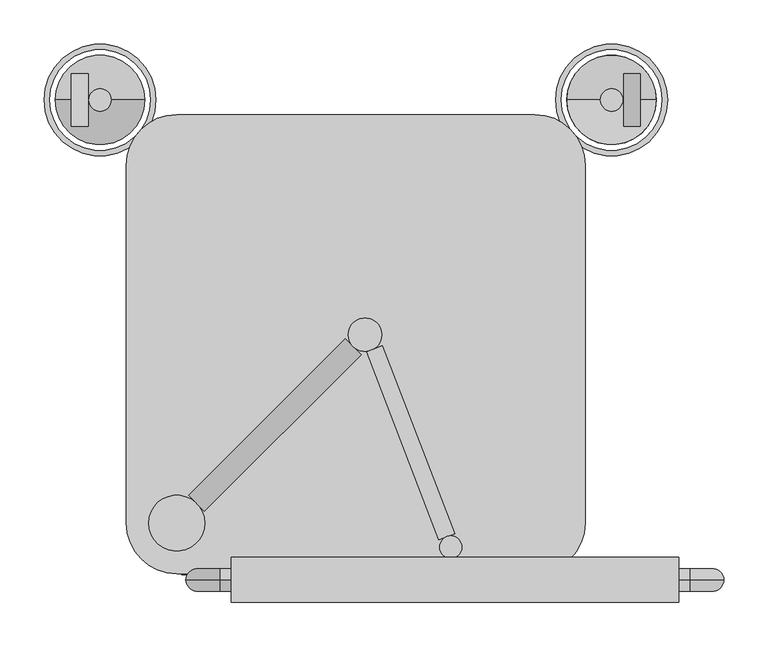
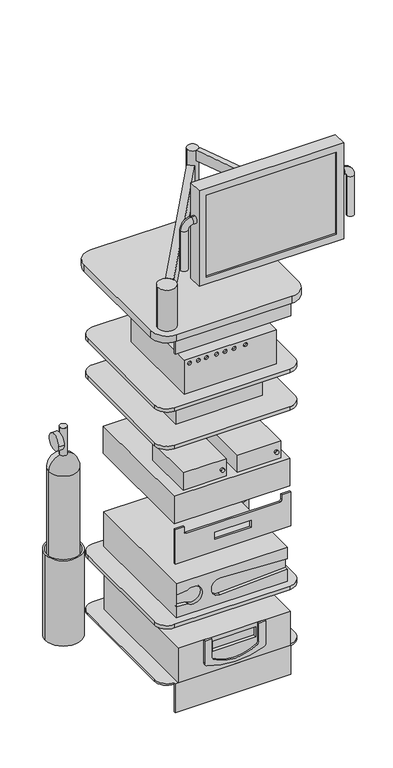
"""IFC4 building model written with IfcOpenShell, lengths in millimetres: proxy geometry."""

from ifc_helpers import new_model, si_unit, point, frame, frame_2d, origin, place, context, project, spatial, polyline, circle_curve, ellipse_curve, trimmed, segment, composite_curve, outline, extrude, faceted_brep, source, transform, mapped, element, save
from ifc_brep_helpers import plane_surface, cylinder_surface, revolved_surface, advanced_brep


def generic_models_61235674(model_context):
    return source(origin(), model_context, "Body", "SolidModel", [
        extrude(outline(composite_curve([segment(trimmed(circle_curve(frame_2d((981.1696655, 155.3349186)), 6.35), [point((981.1696655, 148.9849186))], [point((981.1696655, 161.6849186))], False, "CARTESIAN"), True, "CONTINUOUS"), segment(trimmed(circle_curve(frame_2d((981.1696655, 155.3349186)), 6.35), [point((981.1696655, 161.6849186))], [point((981.1696655, 148.9849186))], False, "CARTESIAN"), True, "CONTINUOUS")], self_intersect=False)), frame((0.0, -254.0, 0.0), z_axis=(0.0, 1.0, 0.0), x_axis=(0.0, 0.0, 1.0)), (0.0, 0.0, 1.0), 6.35),
        extrude(outline(composite_curve([segment(trimmed(circle_curve(frame_2d((981.1696655, -35.1650814)), 6.35), [point((981.1696655, -41.5150814))], [point((981.1696655, -28.8150814))], False, "CARTESIAN"), True, "CONTINUOUS"), segment(trimmed(circle_curve(frame_2d((981.1696655, -35.1650814)), 6.35), [point((981.1696655, -28.8150814))], [point((981.1696655, -41.5150814))], False, "CARTESIAN"), True, "CONTINUOUS")], self_intersect=False)), frame((0.0, -254.0, 0.0), z_axis=(0.0, 1.0, 0.0), x_axis=(0.0, 0.0, 1.0)), (0.0, 0.0, 1.0), 6.35),
        advanced_brep(
        [(164.3474581, -233.2937882, 1422.4), (164.3474581, 90.5562118, 1422.4), (-159.5025419, 90.5562118, 1422.4), (-159.5025419, -233.2937882, 1422.4), (164.3474581, -233.2937882, 1295.4), (-159.5025419, -233.2937882, 1295.4), (-159.5025419, 90.5562118, 1295.4), (164.3474581, 90.5562118, 1295.4), (-134.6409827, -233.2937882, 1404.9609266), (-147.3409827, -233.2937882, 1404.9609266), (-75.1097327, -233.2937882, 1404.9609266), (-87.8097327, -233.2937882, 1404.9609266), (-39.3909827, -233.2937882, 1404.9609266), (-52.0909827, -233.2937882, 1404.9609266), (22.5215173, -233.2937882, 1404.9609266), (9.8215173, -233.2937882, 1404.9609266), (62.2090173, -233.2937882, 1404.9609266), (49.5090173, -233.2937882, 1404.9609266), (-103.5704874, -233.2937882, 1404.9609266), (-116.2704874, -233.2937882, 1404.9609266), (-9.2284827, -233.2937882, 1404.9609266), (-21.9284827, -233.2937882, 1404.9609266), (-134.6409827, -226.9437882, 1404.9609266), (-147.3409827, -226.9437882, 1404.9609266), (-75.1097327, -226.9437882, 1404.9609266), (-87.8097327, -226.9437882, 1404.9609266), (-39.3909827, -226.9437882, 1404.9609266), (-52.0909827, -226.9437882, 1404.9609266), (22.5215173, -226.9437882, 1404.9609266), (9.8215173, -226.9437882, 1404.9609266), (62.2090173, -226.9437882, 1404.9609266), (49.5090173, -226.9437882, 1404.9609266), (-103.5704874, -226.9437882, 1404.9609266), (-116.2704874, -226.9437882, 1404.9609266), (-9.2284827, -226.9437882, 1404.9609266), (-21.9284827, -226.9437882, 1404.9609266)],
        [
            (0, 1),
            (1, 2),
            (2, 3),
            (3, 0),
            (4, 5),
            (5, 6),
            (6, 7),
            (7, 4),
            (0, 4),
            (7, 1),
            (6, 2),
            (5, 3),
            (8, 9, circle_curve(frame((-140.9909827, -233.2937882, 1404.9609266), z_axis=(0.0, 1.0, 0.0), x_axis=(-1.0, 0.0, 0.0)), 6.35)),
            (9, 8, circle_curve(frame((-140.9909827, -233.2937882, 1404.9609266), z_axis=(0.0, 1.0, 0.0), x_axis=(-1.0, 0.0, 0.0)), 6.35)),
            (10, 11, circle_curve(frame((-81.4597327, -233.2937882, 1404.9609266), z_axis=(0.0, 1.0, 0.0), x_axis=(-1.0, 0.0, 0.0)), 6.35)),
            (11, 10, circle_curve(frame((-81.4597327, -233.2937882, 1404.9609266), z_axis=(0.0, 1.0, 0.0), x_axis=(-1.0, 0.0, 0.0)), 6.35)),
            (12, 13, circle_curve(frame((-45.7409827, -233.2937882, 1404.9609266), z_axis=(0.0, 1.0, 0.0), x_axis=(-1.0, 0.0, 0.0)), 6.35)),
            (13, 12, circle_curve(frame((-45.7409827, -233.2937882, 1404.9609266), z_axis=(0.0, 1.0, 0.0), x_axis=(-1.0, 0.0, 0.0)), 6.35)),
            (14, 15, circle_curve(frame((16.1715173, -233.2937882, 1404.9609266), z_axis=(0.0, 1.0, 0.0), x_axis=(-1.0, 0.0, 0.0)), 6.35)),
            (15, 14, circle_curve(frame((16.1715173, -233.2937882, 1404.9609266), z_axis=(0.0, 1.0, 0.0), x_axis=(-1.0, 0.0, 0.0)), 6.35)),
            (16, 17, circle_curve(frame((55.8590173, -233.2937882, 1404.9609266), z_axis=(0.0, 1.0, 0.0), x_axis=(-1.0, 0.0, 0.0)), 6.35)),
            (17, 16, circle_curve(frame((55.8590173, -233.2937882, 1404.9609266), z_axis=(0.0, 1.0, 0.0), x_axis=(-1.0, 0.0, 0.0)), 6.35)),
            (18, 19, circle_curve(frame((-109.9204874, -233.2937882, 1404.9609266), z_axis=(0.0, 1.0, 0.0), x_axis=(-1.0, 0.0, 0.0)), 6.35)),
            (19, 18, circle_curve(frame((-109.9204874, -233.2937882, 1404.9609266), z_axis=(0.0, 1.0, 0.0), x_axis=(-1.0, 0.0, 0.0)), 6.35)),
            (20, 21, circle_curve(frame((-15.5784827, -233.2937882, 1404.9609266), z_axis=(0.0, 1.0, 0.0), x_axis=(-1.0, 0.0, 0.0)), 6.35)),
            (21, 20, circle_curve(frame((-15.5784827, -233.2937882, 1404.9609266), z_axis=(0.0, 1.0, 0.0), x_axis=(-1.0, 0.0, 0.0)), 6.35)),
            (22, 23, circle_curve(frame((-140.9909827, -226.9437882, 1404.9609266), z_axis=(0.0, -1.0, 0.0), x_axis=(-1.0, 0.0, 0.0)), 6.35)),
            (23, 22, circle_curve(frame((-140.9909827, -226.9437882, 1404.9609266), z_axis=(0.0, -1.0, 0.0), x_axis=(-1.0, 0.0, 0.0)), 6.35)),
            (24, 25, circle_curve(frame((-81.4597327, -226.9437882, 1404.9609266), z_axis=(0.0, -1.0, 0.0), x_axis=(-1.0, 0.0, 0.0)), 6.35)),
            (25, 24, circle_curve(frame((-81.4597327, -226.9437882, 1404.9609266), z_axis=(0.0, -1.0, 0.0), x_axis=(-1.0, 0.0, 0.0)), 6.35)),
            (26, 27, circle_curve(frame((-45.7409827, -226.9437882, 1404.9609266), z_axis=(0.0, -1.0, 0.0), x_axis=(-1.0, 0.0, 0.0)), 6.35)),
            (27, 26, circle_curve(frame((-45.7409827, -226.9437882, 1404.9609266), z_axis=(0.0, -1.0, 0.0), x_axis=(-1.0, 0.0, 0.0)), 6.35)),
            (28, 29, circle_curve(frame((16.1715173, -226.9437882, 1404.9609266), z_axis=(0.0, -1.0, 0.0), x_axis=(-1.0, 0.0, 0.0)), 6.35)),
            (29, 28, circle_curve(frame((16.1715173, -226.9437882, 1404.9609266), z_axis=(0.0, -1.0, 0.0), x_axis=(-1.0, 0.0, 0.0)), 6.35)),
            (30, 31, circle_curve(frame((55.8590173, -226.9437882, 1404.9609266), z_axis=(0.0, -1.0, 0.0), x_axis=(-1.0, 0.0, 0.0)), 6.35)),
            (31, 30, circle_curve(frame((55.8590173, -226.9437882, 1404.9609266), z_axis=(0.0, -1.0, 0.0), x_axis=(-1.0, 0.0, 0.0)), 6.35)),
            (32, 33, circle_curve(frame((-109.9204874, -226.9437882, 1404.9609266), z_axis=(0.0, -1.0, 0.0), x_axis=(-1.0, 0.0, 0.0)), 6.35)),
            (33, 32, circle_curve(frame((-109.9204874, -226.9437882, 1404.9609266), z_axis=(0.0, -1.0, 0.0), x_axis=(-1.0, 0.0, 0.0)), 6.35)),
            (34, 35, circle_curve(frame((-15.5784827, -226.9437882, 1404.9609266), z_axis=(0.0, -1.0, 0.0), x_axis=(-1.0, 0.0, 0.0)), 6.35)),
            (35, 34, circle_curve(frame((-15.5784827, -226.9437882, 1404.9609266), z_axis=(0.0, -1.0, 0.0), x_axis=(-1.0, 0.0, 0.0)), 6.35)),
            (23, 9),
            (8, 22),
            (25, 11),
            (10, 24),
            (27, 13),
            (12, 26),
            (29, 15),
            (14, 28),
            (31, 17),
            (16, 30),
            (33, 19),
            (18, 32),
            (35, 21),
            (20, 34),
        ],
        [
            plane_surface(frame((164.3474581, -233.2937882, 1422.4), z_axis=(0.0, 0.0, 1.0), x_axis=(0.0, 1.0, 0.0))),
            plane_surface(frame((164.3474581, -233.2937882, 1295.4), z_axis=(0.0, 0.0, -1.0), x_axis=(0.0, -1.0, 0.0))),
            plane_surface(frame((164.3474581, -233.2937882, 1422.4), z_axis=(1.0, 0.0, 0.0), x_axis=(0.0, 0.0, -1.0))),
            plane_surface(frame((164.3474581, 90.5562118, 1422.4), z_axis=(0.0, 1.0, 0.0), x_axis=(0.0, 0.0, -1.0))),
            plane_surface(frame((-159.5025419, 90.5562118, 1422.4), z_axis=(-1.0, 0.0, 0.0), x_axis=(0.0, 0.0, -1.0))),
            plane_surface(frame((-159.5025419, -233.2937882, 1422.4), z_axis=(0.0, -1.0, 0.0), x_axis=(0.0, 0.0, -1.0))),
            plane_surface(frame((-147.3409827, -226.9437882, 1404.9609266), z_axis=(0.0, -1.0, 0.0), x_axis=(0.0, 0.0, 1.0))),
            revolved_surface(polyline([(-147.34098269999998, -226.9437882, 1404.9609266), (-147.34098269999998, -233.2937882, 1404.9609266)]), (-140.9909827, -233.2937882, 1404.9609266), (0.0, 1.0, 0.0)),
            revolved_surface(polyline([(-87.8097327, -226.9437882, 1404.9609266), (-87.8097327, -233.2937882, 1404.9609266)]), (-81.4597327, -233.2937882, 1404.9609266), (0.0, 1.0, 0.0)),
            revolved_surface(polyline([(-52.090982700000005, -226.9437882, 1404.9609266), (-52.090982700000005, -233.2937882, 1404.9609266)]), (-45.7409827, -233.2937882, 1404.9609266), (0.0, 1.0, 0.0)),
            revolved_surface(polyline([(9.821517300000002, -226.9437882, 1404.9609266), (9.821517300000002, -233.2937882, 1404.9609266)]), (16.1715173, -233.2937882, 1404.9609266), (0.0, 1.0, 0.0)),
            revolved_surface(polyline([(49.5090173, -226.9437882, 1404.9609266), (49.5090173, -233.2937882, 1404.9609266)]), (55.8590173, -233.2937882, 1404.9609266), (0.0, 1.0, 0.0)),
            revolved_surface(polyline([(-116.2704874, -226.9437882, 1404.9609266), (-116.2704874, -233.2937882, 1404.9609266)]), (-109.9204874, -233.2937882, 1404.9609266), (0.0, 1.0, 0.0)),
            revolved_surface(polyline([(-21.9284827, -226.9437882, 1404.9609266), (-21.9284827, -233.2937882, 1404.9609266)]), (-15.5784827, -233.2937882, 1404.9609266), (0.0, 1.0, 0.0)),
        ],
        [
            (0, [[1, 2, 3, 4]]),
            (1, [[5, 6, 7, 8]]),
            (2, [[-1, 9, -8, 10]]),
            (3, [[-2, -10, -7, 11]]),
            (4, [[-3, -11, -6, 12]]),
            (5, [[-4, -12, -5, -9], [13, 14], [15, 16], [17, 18], [19, 20], [21, 22], [23, 24], [25, 26]]),
            (6, [[27, 28]]),
            (6, [[29, 30]]),
            (6, [[31, 32]]),
            (6, [[33, 34]]),
            (6, [[35, 36]]),
            (6, [[37, 38]]),
            (6, [[39, 40]]),
            (7, [[-28, 41, -13, 42]]),
            (7, [[-27, -42, -14, -41]]),
            (8, [[-30, 43, -15, 44]]),
            (8, [[-29, -44, -16, -43]]),
            (9, [[-32, 45, -17, 46]]),
            (9, [[-31, -46, -18, -45]]),
            (10, [[-34, 47, -19, 48]]),
            (10, [[-33, -48, -20, -47]]),
            (11, [[-36, 49, -21, 50]]),
            (11, [[-35, -50, -22, -49]]),
            (12, [[-38, 51, -23, 52]]),
            (12, [[-37, -52, -24, -51]]),
            (13, [[-40, 53, -25, 54]]),
            (13, [[-39, -54, -26, -53]]),
        ],
    ),
        advanced_brep(
        [(196.5048414, -244.0837536, 609.6), (196.5048414, 196.5048414, 609.6), (-194.011006, 196.5048414, 609.6), (-194.011006, -244.0837536, 609.6), (196.5048414, -244.0837536, 482.6), (-194.011006, -244.0837536, 482.6), (-194.011006, 196.5048414, 482.6), (196.5048414, 196.5048414, 482.6), (196.5048414, -244.0837536, 565.4693071), (196.5048414, -231.3837536, 565.4693071), (196.5048414, -231.3837536, 526.7306929), (196.5048414, -244.0837536, 526.7306929), (-39.7328527, -244.0837536, 514.35), (-39.7328527, -244.0837536, 577.85), (-151.3076213, -244.0837536, 519.6832065), (-154.1664528, -244.0837536, 520.7150618), (-193.7837919, -244.0837536, 524.879012), (-193.7837919, -244.0837536, 567.320988), (-154.1664528, -244.0837536, 571.4849382), (-151.3076213, -244.0837536, 572.5167935), (-151.3076213, -231.3837536, 519.6832065), (-151.3076213, -231.3837536, 572.5167935), (-154.1664528, -231.3837536, 571.4849382), (-193.7837919, -231.3837536, 567.320988), (-193.7837919, -231.3837536, 524.879012), (-154.1664528, -231.3837536, 520.7150618), (-39.7328527, -231.3837536, 577.85), (-39.7328527, -231.3837536, 514.35)],
        [
            (0, 1),
            (1, 2),
            (2, 3),
            (3, 0),
            (4, 5),
            (5, 6),
            (6, 7),
            (7, 4),
            (0, 8),
            (8, 9),
            (9, 10),
            (10, 11),
            (11, 4),
            (7, 1),
            (6, 2),
            (5, 3),
            (11, 12),
            (12, 13, circle_curve(frame((-39.7328527, -244.0837536, 546.1), z_axis=(0.0, 1.0, 0.0), x_axis=(1.0, 0.0, 0.0)), 31.75)),
            (13, 8),
            (14, 15, circle_curve(frame((-154.8302085, -244.0837536, 514.3998478), z_axis=(0.0, -1.0, 0.0), x_axis=(1.0, 0.0, 0.0)), 6.35)),
            (15, 16),
            (16, 17),
            (17, 18),
            (18, 19, circle_curve(frame((-154.8302085, -244.0837536, 577.8001522), z_axis=(0.0, -1.0, 0.0), x_axis=(1.0, 0.0, 0.0)), 6.35)),
            (19, 14, circle_curve(frame((-133.6946851, -244.0837536, 546.1), z_axis=(0.0, 1.0, 0.0), x_axis=(-1.0, 0.0, 0.0)), 31.75)),
            (20, 21, circle_curve(frame((-133.6946851, -231.3837536, 546.1), z_axis=(0.0, -1.0, 0.0), x_axis=(-1.0, 0.0, 0.0)), 31.75)),
            (21, 22, circle_curve(frame((-154.8302085, -231.3837536, 577.8001522), z_axis=(0.0, 1.0, 0.0), x_axis=(1.0, 0.0, 0.0)), 6.35)),
            (22, 23),
            (23, 24),
            (24, 25),
            (25, 20, circle_curve(frame((-154.8302085, -231.3837536, 514.3998478), z_axis=(0.0, 1.0, 0.0), x_axis=(1.0, 0.0, 0.0)), 6.35)),
            (9, 26),
            (26, 27, circle_curve(frame((-39.7328527, -231.3837536, 546.1), z_axis=(0.0, -1.0, 0.0), x_axis=(1.0, 0.0, 0.0)), 31.75)),
            (27, 10),
            (25, 15),
            (14, 20),
            (24, 16),
            (23, 17),
            (22, 18),
            (21, 19),
            (27, 12),
            (26, 13),
        ],
        [
            plane_surface(frame((196.5048414, -244.0837536, 609.6), z_axis=(0.0, 0.0, 1.0), x_axis=(0.0, 1.0, 0.0))),
            plane_surface(frame((196.5048414, -244.0837536, 482.6), z_axis=(0.0, 0.0, -1.0), x_axis=(0.0, -1.0, 0.0))),
            plane_surface(frame((196.5048414, -244.0837536, 609.6), z_axis=(1.0, 0.0, 0.0), x_axis=(0.0, 0.0, -1.0))),
            plane_surface(frame((196.5048414, 196.5048414, 609.6), z_axis=(0.0, 1.0, 0.0), x_axis=(0.0, 0.0, -1.0))),
            plane_surface(frame((-194.011006, 196.5048414, 609.6), z_axis=(-1.0, 0.0, 0.0), x_axis=(0.0, 0.0, -1.0))),
            plane_surface(frame((-194.011006, -244.0837536, 609.6), z_axis=(0.0, -1.0, 0.0), x_axis=(0.0, 0.0, -1.0))),
            plane_surface(frame((-148.4802085, -231.3837536, 514.3998478), z_axis=(0.0, -1.0, 0.0), x_axis=(0.0, 0.0, 1.0))),
            cylinder_surface(frame((-154.8302085, -244.0837536, 514.3998478), z_axis=(0.0, -1.0, 0.0), x_axis=(1.0, 0.0, 0.0)), 6.35),
            plane_surface(frame((-154.1664528, -231.3837536, 520.7150618), z_axis=(0.10452846326765525, 0.0, 0.9945218953682732), x_axis=(0.0, -1.0, 0.0))),
            plane_surface(frame((-193.7837919, -231.3837536, 524.879012), z_axis=(1.0, 0.0, 0.0), x_axis=(0.0, -1.0, 0.0))),
            plane_surface(frame((-193.7837919, -231.3837536, 567.320988), z_axis=(0.10452846326765657, 0.0, -0.9945218953682731), x_axis=(0.0, -1.0, 0.0))),
            cylinder_surface(frame((-154.8302085, -244.0837536, 577.8001522), z_axis=(0.0, -1.0, 0.0), x_axis=(1.0, 0.0, 0.0)), 6.35),
            revolved_surface(polyline([(-165.4446851, -231.3837536, 546.1), (-165.4446851, -244.0837536, 546.1)]), (-133.6946851, -244.0837536, 546.1), (0.0, 1.0, 0.0)),
            plane_surface(frame((196.5048414, -231.3837536, 526.7306929), z_axis=(-0.052335956242943724, 0.0, 0.9986295347545739), x_axis=(0.0, -1.0, 0.0))),
            revolved_surface(polyline([(-7.982852700000002, -231.3837536, 546.1), (-7.982852700000002, -244.0837536, 546.1)]), (-39.7328527, -244.0837536, 546.1), (0.0, 1.0, 0.0)),
            plane_surface(frame((-39.7328527, -231.3837536, 577.85), z_axis=(-0.05233595624294373, 0.0, -0.9986295347545739), x_axis=(0.0, -1.0, 0.0))),
        ],
        [
            (0, [[1, 2, 3, 4]]),
            (1, [[5, 6, 7, 8]]),
            (2, [[-1, 9, 10, 11, 12, 13, -8, 14]]),
            (3, [[-2, -14, -7, 15]]),
            (4, [[-3, -15, -6, 16]]),
            (5, [[-4, -16, -5, -13, 17, 18, 19, -9], [20, 21, 22, 23, 24, 25]]),
            (6, [[26, 27, 28, 29, 30, 31]]),
            (6, [[32, 33, 34, -11]]),
            (7, [[-31, 35, -20, 36]]),
            (8, [[-30, 37, -21, -35]]),
            (9, [[-29, 38, -22, -37]]),
            (10, [[-28, 39, -23, -38]]),
            (11, [[-27, 40, -24, -39]]),
            (12, [[-26, -36, -25, -40]]),
            (13, [[-34, 41, -17, -12]]),
            (14, [[-33, 42, -18, -41]]),
            (15, [[-32, -10, -19, -42]]),
        ],
    ),
        extrude(outline(composite_curve([segment(polyline([(381.0, -82.55), (381.0, -107.95), (297.913143, -107.95)]), True, "CONTINUOUS"), segment(trimmed(circle_curve(frame_2d((297.913143, -95.25)), 12.7), [point((297.913143, -107.95))], [point((286.0611228, -99.8128519))], False, "CARTESIAN"), True, "CONTINUOUS"), segment(trimmed(circle_curve(frame_2d((545.3252785, 0.0)), 277.8138006), [point((286.0611228, -99.8128519))], [point((267.5114779, 0.0))], False, "CARTESIAN"), True, "CONTINUOUS"), segment(trimmed(circle_curve(frame_2d((545.3252785, 0.0)), 277.8138006), [point((267.5114779, 0.0))], [point((286.0611228, 99.8128519))], False, "CARTESIAN"), True, "CONTINUOUS"), segment(trimmed(circle_curve(frame_2d((297.913143, 95.25)), 12.7), [point((286.0611228, 99.8128519))], [point((297.913143, 107.95))], False, "CARTESIAN"), True, "CONTINUOUS"), segment(polyline([(297.913143, 107.95), (381.0, 107.95), (381.0, 82.55), (313.4474126, 82.55)]), True, "CONTINUOUS"), segment(trimmed(circle_curve(frame_2d((313.4474126, 69.85)), 12.7), [point((313.4474126, 82.55))], [point((302.8235159, 76.8086507))], True, "CARTESIAN"), True, "CONTINUOUS"), segment(trimmed(circle_curve(frame_2d((420.0886591, 0.0)), 140.1808925), [point((302.8235159, 76.8086507))], [point((302.8235159, -76.8086507))], True, "CARTESIAN"), True, "CONTINUOUS"), segment(trimmed(circle_curve(frame_2d((313.4474126, -69.85)), 12.7), [point((302.8235159, -76.8086507))], [point((313.4474126, -82.55))], True, "CARTESIAN"), True, "CONTINUOUS"), segment(polyline([(313.4474126, -82.55), (381.0, -82.55)]), True, "CONTINUOUS")], self_intersect=False)), frame((0.0, -267.9862189, 0.0), z_axis=(0.0, 1.0, 0.0), x_axis=(0.0, 0.0, 1.0)), (0.0, 0.0, 1.0), 6.35),
        faceted_brep([(196.3360677, -261.6362189, 381.0), (196.3360677, 189.2137811, 381.0), (-197.3639323, 189.2137811, 381.0), (-197.3639323, -261.6362189, 381.0), (196.3360677, -261.6362189, 254.0), (-197.3639323, -261.6362189, 254.0), (-197.3639323, 189.2137811, 254.0), (196.3360677, 189.2137811, 254.0), (76.2, -261.6362189, 365.7537177), (76.2, -261.6362189, 327.6537177), (-76.2, -261.6362189, 327.6537177), (-76.2, -261.6362189, 365.7537177), (76.2, -248.9362189, 365.7537177), (-76.2, -248.9362189, 365.7537177), (-76.2, -248.9362189, 327.6537177), (76.2, -248.9362189, 327.6537177)], [[[0, 1, 2, 3]], [[4, 5, 6, 7]], [[1, 0, 4, 7]], [[2, 1, 7, 6]], [[3, 2, 6, 5]], [[0, 3, 5, 4], [8, 9, 10, 11]], [[12, 13, 14, 15]], [[12, 15, 9, 8]], [[15, 14, 10, 9]], [[14, 13, 11, 10]], [[13, 12, 8, 11]]]),
        extrude(outline(polyline([(203.2, -247.65), (203.2, -254.0), (-203.2, -254.0), (-203.2, -247.65), (203.2, -247.65)])), frame((0.0, 0.0, 1473.2), z_axis=(0.0, 0.0, 1.0), x_axis=(1.0, 0.0, 0.0)), (0.0, 0.0, 1.0), 50.8),
        extrude(outline(composite_curve([segment(polyline([(-203.2, 247.65), (203.2, 247.65)]), True, "CONTINUOUS"), segment(trimmed(circle_curve(frame_2d((203.2, 203.2)), 44.45), [point((203.2, 247.65))], [point((247.65, 203.2))], False, "CARTESIAN"), True, "CONTINUOUS"), segment(polyline([(247.65, 203.2), (247.65, -203.2)]), True, "CONTINUOUS"), segment(trimmed(circle_curve(frame_2d((203.2, -203.2)), 44.45), [point((247.65, -203.2))], [point((203.2, -247.65))], False, "CARTESIAN"), True, "CONTINUOUS"), segment(polyline([(203.2, -247.65), (-203.2, -247.65)]), True, "CONTINUOUS"), segment(trimmed(circle_curve(frame_2d((-203.2, -203.2)), 44.45), [point((-203.2, -247.65))], [point((-247.65, -203.2))], False, "CARTESIAN"), True, "CONTINUOUS"), segment(polyline([(-247.65, -203.2), (-247.65, 203.2)]), True, "CONTINUOUS"), segment(trimmed(circle_curve(frame_2d((-203.2, 203.2)), 44.45), [point((-247.65, 203.2))], [point((-203.2, 247.65))], False, "CARTESIAN"), True, "CONTINUOUS")], self_intersect=False)), frame((0.0, 0.0, 1257.3), z_axis=(0.0, 0.0, 1.0), x_axis=(1.0, 0.0, 0.0)), (0.0, 0.0, 1.0), 12.7),
        extrude(outline(polyline([(152.5515628, -168.1234372), (-152.2484372, -168.1234372), (-152.2484372, 79.5265628), (152.5515628, 79.5265628), (152.5515628, -168.1234372)])), frame((0.0, 0.0, 1143.0), z_axis=(0.0, 0.0, 1.0), x_axis=(1.0, 0.0, 0.0)), (0.0, 0.0, 1.0), 76.2),
        extrude(outline(composite_curve([segment(polyline([(-203.2, 247.65), (203.2, 247.65)]), True, "CONTINUOUS"), segment(trimmed(circle_curve(frame_2d((203.2, 203.2)), 44.45), [point((203.2, 247.65))], [point((247.65, 203.2))], False, "CARTESIAN"), True, "CONTINUOUS"), segment(polyline([(247.65, 203.2), (247.65, -203.2)]), True, "CONTINUOUS"), segment(trimmed(circle_curve(frame_2d((203.2, -203.2)), 44.45), [point((247.65, -203.2))], [point((203.2, -247.65))], False, "CARTESIAN"), True, "CONTINUOUS"), segment(polyline([(203.2, -247.65), (-203.2, -247.65)]), True, "CONTINUOUS"), segment(trimmed(circle_curve(frame_2d((-203.2, -203.2)), 44.45), [point((-203.2, -247.65))], [point((-247.65, -203.2))], False, "CARTESIAN"), True, "CONTINUOUS"), segment(polyline([(-247.65, -203.2), (-247.65, 203.2)]), True, "CONTINUOUS"), segment(trimmed(circle_curve(frame_2d((-203.2, 203.2)), 44.45), [point((-247.65, 203.2))], [point((-203.2, 247.65))], False, "CARTESIAN"), True, "CONTINUOUS")], self_intersect=False)), frame((0.0, 0.0, 1117.6), z_axis=(0.0, 0.0, 1.0), x_axis=(1.0, 0.0, 0.0)), (0.0, 0.0, 1.0), 12.7),
        extrude(outline(polyline([(19.05, -247.65), (19.05, -63.5), (171.45, -63.5), (171.45, -247.65), (19.05, -247.65)])), frame((0.0, 0.0, 952.5), z_axis=(0.0, 0.0, 1.0), x_axis=(1.0, 0.0, 0.0)), (0.0, 0.0, 1.0), 63.5),
        extrude(outline(polyline([(-19.05, -247.65), (-171.45, -247.65), (-171.45, -63.5), (-19.05, -63.5), (-19.05, -247.65)])), frame((0.0, 0.0, 952.5), z_axis=(0.0, 0.0, 1.0), x_axis=(1.0, 0.0, 0.0)), (0.0, 0.0, 1.0), 63.5),
        extrude(outline(polyline([(203.2, -247.65), (-203.2, -247.65), (-203.2, 184.15), (203.2, 184.15), (203.2, -247.65)])), frame((0.0, 0.0, 838.2), z_axis=(0.0, 0.0, 1.0), x_axis=(1.0, 0.0, 0.0)), (0.0, 0.0, 1.0), 101.6),
        extrude(outline(composite_curve([segment(trimmed(circle_curve(frame_2d((277.1938919, 866.0886036)), 29.6567448), [point((306.8506367, 866.0886036))], [point((247.5371471, 866.0886036))], False, "CARTESIAN"), True, "CONTINUOUS"), segment(trimmed(circle_curve(frame_2d((277.1938919, 866.0886036)), 29.6567448), [point((247.5371471, 866.0886036))], [point((306.8506367, 866.0886036))], False, "CARTESIAN"), True, "CONTINUOUS")], self_intersect=False)), frame((303.8134356, 0.0, 0.0), z_axis=(1.0, 0.0, 0.0), x_axis=(0.0, 1.0, 0.0)), (0.0, 0.0, 1.0), 19.05),
        extrude(outline(composite_curve([segment(trimmed(circle_curve(frame_2d((290.2118779, 277.1938919)), 12.7), [point((302.9118779, 277.1938919))], [point((277.5118779, 277.1938919))], False, "CARTESIAN"), True, "CONTINUOUS"), segment(trimmed(circle_curve(frame_2d((290.2118779, 277.1938919)), 12.7), [point((277.5118779, 277.1938919))], [point((302.9118779, 277.1938919))], False, "CARTESIAN"), True, "CONTINUOUS")], self_intersect=False)), frame((0.0, 0.0, 812.8), z_axis=(0.0, 0.0, 1.0), x_axis=(1.0, 0.0, 0.0)), (0.0, 0.0, 1.0), 101.6),
        advanced_brep(
        [(290.2118779, 277.1938919, 762.0), (341.0118779, 277.1938919, 762.0), (239.4118779, 277.1938919, 762.0), (290.2118779, 277.1938919, 812.8)],
        [
            (0, 1),
            (1, 2, circle_curve(frame((290.2118779, 277.1938919, 762.0), z_axis=(0.0, 0.0, -1.0), x_axis=(1.0, 0.0, 0.0)), 50.8)),
            (2, 0),
            (2, 1, circle_curve(frame((290.2118779, 277.1938919, 762.0), z_axis=(0.0, 0.0, -1.0), x_axis=(1.0, 0.0, 0.0)), 50.8)),
            (1, 3, circle_curve(frame((290.2118779, 277.1938919, 762.0), z_axis=(0.0, -1.0, 0.0), x_axis=(-1.0, 0.0, 0.0)), 50.8)),
            (3, 2, circle_curve(frame((290.2118779, 277.1938919, 762.0), z_axis=(0.0, -1.0, 0.0), x_axis=(1.0, 0.0, 0.0)), 50.8)),
        ],
        [
            plane_surface(frame((290.2118779, 277.1938919, 762.0), z_axis=(0.0, 0.0, -1.0), x_axis=(1.0, 0.0, 0.0))),
            revolved_surface(trimmed(ellipse_curve(frame((290.2118779, 277.1938919, 762.0), z_axis=(0.0, 1.0, 0.0), x_axis=(-1.0, 0.0, 0.0)), 50.8, 50.8), [point((290.2118779, 277.1938919, 812.8))], [point((341.0118779, 277.1938919, 762.0))], True, "CARTESIAN"), (290.2118779, 277.1938919, 762.0), (0.0, 0.0, -1.0)),
        ],
        [
            (0, [[1, 2, 3]]),
            (0, [[-3, 4, -1]]),
            (1, [[-2, 5, 6]]),
            (1, [[-4, -6, -5]]),
        ],
    ),
        extrude(outline(composite_curve([segment(trimmed(circle_curve(frame_2d((290.2118779, 277.1938919)), 50.8), [point((341.0118779, 277.1938919))], [point((239.4118779, 277.1938919))], False, "CARTESIAN"), True, "CONTINUOUS"), segment(trimmed(circle_curve(frame_2d((290.2118779, 277.1938919)), 50.8), [point((239.4118779, 277.1938919))], [point((341.0118779, 277.1938919))], False, "CARTESIAN"), True, "CONTINUOUS")], self_intersect=False)), frame((0.0, 0.0, 139.7), z_axis=(0.0, 0.0, 1.0), x_axis=(1.0, 0.0, 0.0)), (0.0, 0.0, 1.0), 622.3),
        advanced_brep(
        [(-341.0118779, 277.1938919, 139.7), (-239.4118779, 277.1938919, 139.7), (-239.4118779, 277.1938919, 762.0), (-341.0118779, 277.1938919, 762.0), (-290.2118779, 277.1938919, 812.8)],
        [
            (0, 1, circle_curve(frame((-290.2118779, 277.1938919, 139.7), z_axis=(0.0, 0.0, -1.0), x_axis=(1.0, 0.0, 0.0)), 50.8)),
            (1, 0, circle_curve(frame((-290.2118779, 277.1938919, 139.7), z_axis=(0.0, 0.0, -1.0), x_axis=(1.0, 0.0, 0.0)), 50.8)),
            (1, 2),
            (2, 3, circle_curve(frame((-290.2118779, 277.1938919, 762.0), z_axis=(0.0, 0.0, -1.0), x_axis=(1.0, 0.0, 0.0)), 50.8)),
            (3, 0),
            (3, 2, circle_curve(frame((-290.2118779, 277.1938919, 762.0), z_axis=(0.0, 0.0, -1.0), x_axis=(1.0, 0.0, 0.0)), 50.8)),
            (4, 3, circle_curve(frame((-290.2118779, 277.1938919, 762.0), z_axis=(0.0, -1.0, 0.0), x_axis=(1.0, 0.0, 0.0)), 50.8)),
            (2, 4, circle_curve(frame((-290.2118779, 277.1938919, 762.0), z_axis=(0.0, -1.0, 0.0), x_axis=(-1.0, 0.0, 0.0)), 50.8)),
        ],
        [
            plane_surface(frame((-239.4118779, 277.1938919, 139.7), z_axis=(0.0, 0.0, -1.0), x_axis=(0.0, -1.0, 0.0))),
            cylinder_surface(frame((-290.2118779, 277.1938919, 139.7), z_axis=(0.0, 0.0, 1.0), x_axis=(1.0, 0.0, 0.0)), 50.8),
            revolved_surface(trimmed(ellipse_curve(frame((-290.2118779, 277.1938919, 762.0), z_axis=(0.0, 1.0, 0.0), x_axis=(1.0, 0.0, 0.0)), 50.8, 50.8), [point((-341.0118779, 277.1938919, 762.0))], [point((-290.2118779, 277.1938919, 812.8))], True, "CARTESIAN"), (-290.2118779, 277.1938919, 762.0), (0.0, 0.0, 1.0)),
        ],
        [
            (0, [[1, 2]]),
            (1, [[-2, 3, 4, 5]]),
            (1, [[-1, -5, 6, -3]]),
            (2, [[7, -4, 8]]),
            (2, [[-7, -8, -6]]),
        ],
    ),
        extrude(outline(composite_curve([segment(trimmed(circle_curve(frame_2d((277.1938919, 866.0886036)), 29.6567448), [point((306.8506367, 866.0886036))], [point((247.5371471, 866.0886036))], False, "CARTESIAN"), True, "CONTINUOUS"), segment(trimmed(circle_curve(frame_2d((277.1938919, 866.0886036)), 29.6567448), [point((247.5371471, 866.0886036))], [point((306.8506367, 866.0886036))], False, "CARTESIAN"), True, "CONTINUOUS")], self_intersect=False)), frame((-322.8634356, 0.0, 0.0), z_axis=(1.0, 0.0, 0.0), x_axis=(0.0, 1.0, 0.0)), (0.0, 0.0, 1.0), 19.05),
        extrude(outline(composite_curve([segment(trimmed(circle_curve(frame_2d((-290.2118779, 277.1938919)), 12.7), [point((-302.9118779, 277.1938919))], [point((-277.5118779, 277.1938919))], False, "CARTESIAN"), True, "CONTINUOUS"), segment(trimmed(circle_curve(frame_2d((-290.2118779, 277.1938919)), 12.7), [point((-277.5118779, 277.1938919))], [point((-302.9118779, 277.1938919))], False, "CARTESIAN"), True, "CONTINUOUS")], self_intersect=False)), frame((0.0, 0.0, 812.8), z_axis=(0.0, 0.0, 1.0), x_axis=(1.0, 0.0, 0.0)), (0.0, 0.0, 1.0), 101.6),
        extrude(outline(composite_curve([segment(trimmed(circle_curve(frame_2d((-290.2118779, 277.1938919)), 63.5), [point((-353.7118779, 277.1938919))], [point((-226.7118779, 277.1938919))], False, "CARTESIAN"), True, "CONTINUOUS"), segment(trimmed(circle_curve(frame_2d((-290.2118779, 277.1938919)), 63.5), [point((-226.7118779, 277.1938919))], [point((-353.7118779, 277.1938919))], False, "CARTESIAN"), True, "CONTINUOUS")], self_intersect=False), holes=[composite_curve([segment(trimmed(circle_curve(frame_2d((-290.2118779, 277.1938919)), 57.15), [point((-347.3618779, 277.1938919))], [point((-233.0618779, 277.1938919))], True, "CARTESIAN"), True, "CONTINUOUS"), segment(trimmed(circle_curve(frame_2d((-290.2118779, 277.1938919)), 57.15), [point((-233.0618779, 277.1938919))], [point((-347.3618779, 277.1938919))], True, "CARTESIAN"), True, "CONTINUOUS")], self_intersect=False)]), frame((0.0, 0.0, 139.7), z_axis=(0.0, 0.0, 1.0), x_axis=(1.0, 0.0, 0.0)), (0.0, 0.0, 1.0), 317.5),
        extrude(outline(composite_curve([segment(trimmed(circle_curve(frame_2d((290.2118779, 277.1938919)), 63.5), [point((353.7118779, 277.1938919))], [point((226.7118779, 277.1938919))], False, "CARTESIAN"), True, "CONTINUOUS"), segment(trimmed(circle_curve(frame_2d((290.2118779, 277.1938919)), 63.5), [point((226.7118779, 277.1938919))], [point((353.7118779, 277.1938919))], False, "CARTESIAN"), True, "CONTINUOUS")], self_intersect=False), holes=[composite_curve([segment(trimmed(circle_curve(frame_2d((290.2118779, 277.1938919)), 57.15), [point((347.3618779, 277.1938919))], [point((233.0618779, 277.1938919))], True, "CARTESIAN"), True, "CONTINUOUS"), segment(trimmed(circle_curve(frame_2d((290.2118779, 277.1938919)), 57.15), [point((233.0618779, 277.1938919))], [point((347.3618779, 277.1938919))], True, "CARTESIAN"), True, "CONTINUOUS")], self_intersect=False)]), frame((0.0, 0.0, 139.7), z_axis=(0.0, 0.0, 1.0), x_axis=(1.0, 0.0, 0.0)), (0.0, 0.0, 1.0), 317.5),
        extrude(outline(composite_curve([segment(polyline([(692.15, 203.2), (819.15, 203.2), (819.15, 171.45), (800.1, 171.45)]), True, "CONTINUOUS"), segment(trimmed(circle_curve(frame_2d((800.1, 165.1)), 6.35), [point((800.1, 171.45))], [point((793.75, 165.1))], True, "CARTESIAN"), True, "CONTINUOUS"), segment(polyline([(793.75, 165.1), (793.75, -165.1)]), True, "CONTINUOUS"), segment(trimmed(circle_curve(frame_2d((800.1, -165.1)), 6.35), [point((793.75, -165.1))], [point((800.1, -171.45))], True, "CARTESIAN"), True, "CONTINUOUS"), segment(polyline([(800.1, -171.45), (819.15, -171.45), (819.15, -203.2), (692.15, -203.2), (692.15, 203.2)]), True, "CONTINUOUS")], self_intersect=False), holes=[polyline([(761.0834021, 63.5), (735.6834021, 63.5), (735.6834021, -63.5), (761.0834021, -63.5), (761.0834021, 63.5)])]), frame((0.0, -254.0, 0.0), z_axis=(0.0, 1.0, 0.0), x_axis=(0.0, 0.0, 1.0)), (0.0, 0.0, 1.0), 6.35),
        extrude(outline(composite_curve([segment(polyline([(-203.2, 247.65), (203.2, 247.65)]), True, "CONTINUOUS"), segment(trimmed(circle_curve(frame_2d((203.2, 203.2)), 44.45), [point((203.2, 247.65))], [point((247.65, 203.2))], False, "CARTESIAN"), True, "CONTINUOUS"), segment(polyline([(247.65, 203.2), (247.65, -203.2)]), True, "CONTINUOUS"), segment(trimmed(circle_curve(frame_2d((203.2, -203.2)), 44.45), [point((247.65, -203.2))], [point((203.2, -247.65))], False, "CARTESIAN"), True, "CONTINUOUS"), segment(polyline([(203.2, -247.65), (-203.2, -247.65)]), True, "CONTINUOUS"), segment(trimmed(circle_curve(frame_2d((-203.2, -203.2)), 44.45), [point((-203.2, -247.65))], [point((-247.65, -203.2))], False, "CARTESIAN"), True, "CONTINUOUS"), segment(polyline([(-247.65, -203.2), (-247.65, 203.2)]), True, "CONTINUOUS"), segment(trimmed(circle_curve(frame_2d((-203.2, 203.2)), 44.45), [point((-247.65, 203.2))], [point((-203.2, 247.65))], False, "CARTESIAN"), True, "CONTINUOUS")], self_intersect=False)), frame((0.0, 0.0, 450.85), z_axis=(0.0, 0.0, 1.0), x_axis=(1.0, 0.0, 0.0)), (0.0, 0.0, 1.0), 12.7),
        advanced_brep(
        [(-203.2, -247.65, 139.7), (203.2, -247.65, 139.7), (203.2, -254.0, 139.7), (-203.2, -254.0, 139.7), (-203.2, -254.0, 247.65), (-203.2, -247.65, 247.65), (-203.2, -247.65, 241.3), (203.2, -254.0, 247.65), (203.2, -247.65, 241.3), (203.2, -247.65, 247.65), (-247.65, 203.2, 247.65), (-247.65, -203.2, 247.65), (247.65, -203.2, 247.65), (247.65, 203.2, 247.65), (203.2, 247.65, 247.65), (-203.2, 247.65, 247.65), (-247.65, 203.2, 241.3), (-203.2, 247.65, 241.3), (203.2, 247.65, 241.3), (247.65, 203.2, 241.3), (247.65, -203.2, 241.3), (-247.65, -203.2, 241.3)],
        [
            (0, 1),
            (1, 2),
            (2, 3),
            (3, 0),
            (3, 4),
            (4, 5),
            (5, 6),
            (6, 0),
            (2, 7),
            (7, 4),
            (1, 8),
            (8, 9),
            (9, 7),
            (6, 8),
            (10, 11),
            (11, 5, circle_curve(frame((-203.2, -203.2, 247.65), z_axis=(0.0, 0.0, 1.0), x_axis=(1.0, 0.0, 0.0)), 44.45)),
            (9, 12, circle_curve(frame((203.2, -203.2, 247.65), z_axis=(0.0, 0.0, 1.0), x_axis=(1.0, 0.0, 0.0)), 44.45)),
            (12, 13),
            (13, 14, circle_curve(frame((203.2, 203.2, 247.65), z_axis=(0.0, 0.0, 1.0), x_axis=(1.0, 0.0, 0.0)), 44.45)),
            (14, 15),
            (15, 10, circle_curve(frame((-203.2, 203.2, 247.65), z_axis=(0.0, 0.0, 1.0), x_axis=(1.0, 0.0, 0.0)), 44.45)),
            (16, 17, circle_curve(frame((-203.2, 203.2, 241.3), z_axis=(0.0, 0.0, -1.0), x_axis=(1.0, 0.0, 0.0)), 44.45)),
            (17, 18),
            (18, 19, circle_curve(frame((203.2, 203.2, 241.3), z_axis=(0.0, 0.0, -1.0), x_axis=(1.0, 0.0, 0.0)), 44.45)),
            (19, 20),
            (20, 8, circle_curve(frame((203.2, -203.2, 241.3), z_axis=(0.0, 0.0, -1.0), x_axis=(1.0, 0.0, 0.0)), 44.45)),
            (6, 21, circle_curve(frame((-203.2, -203.2, 241.3), z_axis=(0.0, 0.0, -1.0), x_axis=(1.0, 0.0, 0.0)), 44.45)),
            (21, 16),
            (10, 16),
            (21, 11),
            (20, 12),
            (19, 13),
            (18, 14),
            (17, 15),
        ],
        [
            plane_surface(frame((-203.2, -254.0, 139.7), z_axis=(0.0, 0.0, -1.0), x_axis=(0.0, 1.0, 0.0))),
            plane_surface(frame((-203.2, -247.65, 241.3), z_axis=(-1.0, 0.0, 0.0), x_axis=(0.0, 0.0, -1.0))),
            plane_surface(frame((-203.2, -254.0, 241.3), z_axis=(0.0, -1.0, 0.0), x_axis=(0.0, 0.0, -1.0))),
            plane_surface(frame((203.2, -254.0, 241.3), z_axis=(1.0, 0.0, 0.0), x_axis=(0.0, 0.0, -1.0))),
            plane_surface(frame((203.2, -247.65, 241.3), z_axis=(0.0, 1.0, 0.0), x_axis=(0.0, 0.0, -1.0))),
            plane_surface(frame((-247.65, -203.2, 247.65), z_axis=(0.0, 0.0, 1.0), x_axis=(0.0, -1.0, 0.0))),
            plane_surface(frame((-247.65, -203.2, 241.3), z_axis=(0.0, 0.0, -1.0), x_axis=(0.0, 1.0, 0.0))),
            plane_surface(frame((-247.65, 203.2, 247.65), z_axis=(-1.0, 0.0, 0.0), x_axis=(0.0, 0.0, -1.0))),
            cylinder_surface(frame((-203.2, -203.2, 241.3), z_axis=(0.0, 0.0, 1.0), x_axis=(1.0, 0.0, 0.0)), 44.45),
            cylinder_surface(frame((203.2, -203.2, 241.3), z_axis=(0.0, 0.0, 1.0), x_axis=(1.0, 0.0, 0.0)), 44.45),
            plane_surface(frame((247.65, -203.2, 247.65), z_axis=(1.0, 0.0, 0.0), x_axis=(0.0, 0.0, -1.0))),
            cylinder_surface(frame((203.2, 203.2, 241.3), z_axis=(0.0, 0.0, 1.0), x_axis=(1.0, 0.0, 0.0)), 44.45),
            plane_surface(frame((203.2, 247.65, 247.65), z_axis=(0.0, 1.0, 0.0), x_axis=(0.0, 0.0, -1.0))),
            cylinder_surface(frame((-203.2, 203.2, 241.3), z_axis=(0.0, 0.0, 1.0), x_axis=(1.0, 0.0, 0.0)), 44.45),
        ],
        [
            (0, [[1, 2, 3, 4]]),
            (1, [[-4, 5, 6, 7, 8]]),
            (2, [[-5, -3, 9, 10]]),
            (3, [[-9, -2, 11, 12, 13]]),
            (4, [[-1, -8, 14, -11]]),
            (5, [[15, 16, -6, -10, -13, 17, 18, 19, 20, 21]]),
            (6, [[22, 23, 24, 25, 26, -14, 27, 28]]),
            (7, [[-15, 29, -28, 30]]),
            (8, [[-16, -30, -27, -7]]),
            (9, [[-17, -12, -26, 31]]),
            (10, [[-18, -31, -25, 32]]),
            (11, [[-19, -32, -24, 33]]),
            (12, [[-20, -33, -23, 34]]),
            (13, [[-21, -34, -22, -29]]),
        ],
    ),
        advanced_brep(
        [(-167.2997338, -267.6207461, 1790.0542357), (-192.6997338, -267.6207461, 1790.0542357), (-141.4866974, -267.6207461, 1948.8042357), (-141.4866974, -267.6207461, 1974.2042357), (-192.6997338, -267.6207461, 1936.1042357), (-167.2997338, -267.6207461, 1936.1042357), (-154.5997338, -267.6207461, 1948.8042357), (-154.5997338, -267.6207461, 1974.2042357)],
        [
            (0, 1, circle_curve(frame((-179.9997338, -267.6207461, 1790.0542357), z_axis=(0.0, 0.0, -1.0), x_axis=(-1.0, 0.0, 0.0)), 12.7)),
            (1, 0, circle_curve(frame((-179.9997338, -267.6207461, 1790.0542357), z_axis=(0.0, 0.0, -1.0), x_axis=(-1.0, 0.0, 0.0)), 12.7)),
            (2, 3, circle_curve(frame((-141.4866974, -267.6207461, 1961.5042357), z_axis=(1.0, 0.0, 0.0), x_axis=(0.0, 0.0, 1.0)), 12.7)),
            (3, 2, circle_curve(frame((-141.4866974, -267.6207461, 1961.5042357), z_axis=(1.0, 0.0, 0.0), x_axis=(0.0, 0.0, 1.0)), 12.7)),
            (1, 4),
            (4, 5, circle_curve(frame((-179.9997338, -267.6207461, 1936.1042357), z_axis=(0.0, 0.0, -1.0), x_axis=(-1.0, 0.0, 0.0)), 12.7)),
            (5, 0),
            (5, 4, circle_curve(frame((-179.9997338, -267.6207461, 1936.1042357), z_axis=(0.0, 0.0, -1.0), x_axis=(-1.0, 0.0, 0.0)), 12.7)),
            (6, 5, circle_curve(frame((-154.5997338, -267.6207461, 1936.1042357), z_axis=(0.0, -1.0, 0.0), x_axis=(-1.0, 0.0, 0.0)), 12.7)),
            (4, 7, circle_curve(frame((-154.5997338, -267.6207461, 1936.1042357), z_axis=(0.0, 1.0, 0.0), x_axis=(-1.0, 0.0, 0.0)), 38.1)),
            (7, 6, circle_curve(frame((-154.5997338, -267.6207461, 1961.5042357), z_axis=(-1.0, 0.0, 0.0), x_axis=(0.0, 0.0, 1.0)), 12.7)),
            (6, 7, circle_curve(frame((-154.5997338, -267.6207461, 1961.5042357), z_axis=(-1.0, 0.0, 0.0), x_axis=(0.0, 0.0, 1.0)), 12.7)),
            (7, 3),
            (2, 6),
        ],
        [
            plane_surface(frame((-179.9997338, -267.6207461, 1790.0542357), z_axis=(0.0, 0.0, -1.0), x_axis=(0.0, 1.0, 0.0))),
            plane_surface(frame((-141.4866974, -267.6207461, 1961.5042357), z_axis=(1.0, 0.0, 0.0), x_axis=(0.0, 1.0, 0.0))),
            cylinder_surface(frame((-179.9997338, -267.6207461, 1790.0542357), z_axis=(0.0, 0.0, -1.0), x_axis=(-1.0, 0.0, 0.0)), 12.7),
            revolved_surface(trimmed(ellipse_curve(frame((-179.9997338, -267.6207461, 1936.1042357), z_axis=(0.0, 0.0, -1.0), x_axis=(-1.0, 0.0, 0.0)), 12.7, 12.7), [point((-192.6997338, -267.6207461, 1936.1042357))], [point((-167.2997338, -267.6207461, 1936.1042357))], True, "CARTESIAN"), (-154.5997338, -267.6207461, 1936.1042357), (0.0, 1.0, 0.0)),
            revolved_surface(trimmed(ellipse_curve(frame((-179.9997338, -267.6207461, 1936.1042357), z_axis=(0.0, 0.0, -1.0), x_axis=(-1.0, 0.0, 0.0)), 12.7, 12.7), [point((-167.2997338, -267.6207461, 1936.1042357))], [point((-192.6997338, -267.6207461, 1936.1042357))], True, "CARTESIAN"), (-154.5997338, -267.6207461, 1936.1042357), (0.0, 1.0, 0.0)),
            cylinder_surface(frame((-154.5997338, -267.6207461, 1961.5042357), z_axis=(-1.0, 0.0, 0.0), x_axis=(0.0, 0.0, 1.0)), 12.7),
        ],
        [
            (0, [[1, 2]]),
            (1, [[3, 4]]),
            (2, [[-2, 5, 6, 7]]),
            (2, [[-1, -7, 8, -5]]),
            (3, [[9, -6, 10, 11]]),
            (4, [[-10, -8, -9, 12]]),
            (5, [[-11, 13, -3, 14]]),
            (5, [[-12, -14, -4, -13]]),
        ],
    ),
        advanced_brep(
        [(392.3263391, -267.6207461, 1790.0542357), (417.7263391, -267.6207461, 1790.0542357), (366.5133026, -267.6207461, 1948.8042357), (366.5133026, -267.6207461, 1974.2042357), (392.3263391, -267.6207461, 1936.1042357), (417.7263391, -267.6207461, 1936.1042357), (379.6263391, -267.6207461, 1974.2042357), (379.6263391, -267.6207461, 1948.8042357)],
        [
            (0, 1, circle_curve(frame((405.0263391, -267.6207461, 1790.0542357), z_axis=(0.0, 0.0, -1.0), x_axis=(1.0, 0.0, 0.0)), 12.7)),
            (1, 0, circle_curve(frame((405.0263391, -267.6207461, 1790.0542357), z_axis=(0.0, 0.0, -1.0), x_axis=(1.0, 0.0, 0.0)), 12.7)),
            (2, 3, circle_curve(frame((366.5133026, -267.6207461, 1961.5042357), z_axis=(-1.0, 0.0, 0.0), x_axis=(0.0, 0.0, 1.0)), 12.7)),
            (3, 2, circle_curve(frame((366.5133026, -267.6207461, 1961.5042357), z_axis=(-1.0, 0.0, 0.0), x_axis=(0.0, 0.0, 1.0)), 12.7)),
            (0, 4),
            (4, 5, circle_curve(frame((405.0263391, -267.6207461, 1936.1042357), z_axis=(0.0, 0.0, -1.0), x_axis=(1.0, 0.0, 0.0)), 12.7)),
            (5, 1),
            (5, 4, circle_curve(frame((405.0263391, -267.6207461, 1936.1042357), z_axis=(0.0, 0.0, -1.0), x_axis=(1.0, 0.0, 0.0)), 12.7)),
            (6, 5, circle_curve(frame((379.6263391, -267.6207461, 1936.1042357), z_axis=(0.0, 1.0, 0.0), x_axis=(1.0, 0.0, 0.0)), 38.1)),
            (4, 7, circle_curve(frame((379.6263391, -267.6207461, 1936.1042357), z_axis=(0.0, -1.0, 0.0), x_axis=(1.0, 0.0, 0.0)), 12.7)),
            (7, 6, circle_curve(frame((379.6263391, -267.6207461, 1961.5042357), z_axis=(1.0, 0.0, 0.0), x_axis=(0.0, 0.0, 1.0)), 12.7)),
            (6, 7, circle_curve(frame((379.6263391, -267.6207461, 1961.5042357), z_axis=(1.0, 0.0, 0.0), x_axis=(0.0, 0.0, 1.0)), 12.7)),
            (7, 2),
            (3, 6),
        ],
        [
            plane_surface(frame((405.0263391, -267.6207461, 1790.0542357), z_axis=(0.0, 0.0, -1.0), x_axis=(0.0, 1.0, 0.0))),
            plane_surface(frame((366.5133026, -267.6207461, 1961.5042357), z_axis=(-1.0, 0.0, 0.0), x_axis=(0.0, 1.0, 0.0))),
            cylinder_surface(frame((405.0263391, -267.6207461, 1790.0542357), z_axis=(0.0, 0.0, -1.0), x_axis=(1.0, 0.0, 0.0)), 12.7),
            revolved_surface(trimmed(ellipse_curve(frame((405.0263391, -267.6207461, 1936.1042357), z_axis=(0.0, 0.0, -1.0), x_axis=(1.0, 0.0, 0.0)), 12.7, 12.7), [point((392.3263391, -267.6207461, 1936.1042357))], [point((417.7263391, -267.6207461, 1936.1042357))], True, "CARTESIAN"), (379.6263391, -267.6207461, 1936.1042357), (0.0, -1.0, 0.0)),
            revolved_surface(trimmed(ellipse_curve(frame((405.0263391, -267.6207461, 1936.1042357), z_axis=(0.0, 0.0, -1.0), x_axis=(1.0, 0.0, 0.0)), 12.7, 12.7), [point((417.7263391, -267.6207461, 1936.1042357))], [point((392.3263391, -267.6207461, 1936.1042357))], True, "CARTESIAN"), (379.6263391, -267.6207461, 1936.1042357), (0.0, -1.0, 0.0)),
            cylinder_surface(frame((379.6263391, -267.6207461, 1961.5042357), z_axis=(1.0, 0.0, 0.0), x_axis=(0.0, 0.0, 1.0)), 12.7),
        ],
        [
            (0, [[1, 2]]),
            (1, [[3, 4]]),
            (2, [[-1, 5, 6, 7]]),
            (2, [[-2, -7, 8, -5]]),
            (3, [[9, -6, 10, 11]]),
            (4, [[-10, -8, -9, 12]]),
            (5, [[-11, 13, -4, 14]]),
            (5, [[-12, -14, -3, -13]]),
        ],
    ),
        faceted_brep([(366.5133026, -242.2207461, 2082.8), (-141.4866974, -242.2207461, 2082.8), (-141.4866974, -293.0207461, 2082.8), (366.5133026, -293.0207461, 2082.8), (366.5133026, -242.2207461, 1727.2), (366.5133026, -293.0207461, 1727.2), (-141.4866974, -293.0207461, 1727.2), (-141.4866974, -242.2207461, 1727.2), (-116.0866974, -293.0207461, 2057.4), (341.1133026, -293.0207461, 2057.4), (341.1133026, -293.0207461, 1752.6), (-116.0866974, -293.0207461, 1752.6), (-116.0866974, -286.6707461, 2057.4), (-116.0866974, -286.6707461, 1752.6), (341.1133026, -286.6707461, 1752.6), (341.1133026, -286.6707461, 2057.4)], [[[0, 1, 2, 3]], [[4, 5, 6, 7]], [[1, 0, 4, 7]], [[2, 1, 7, 6]], [[3, 2, 6, 5], [8, 9, 10, 11]], [[0, 3, 5, 4]], [[12, 13, 14, 15]], [[12, 15, 9, 8]], [[15, 14, 10, 9]], [[14, 13, 11, 10]], [[13, 12, 8, 11]]]),
        extrude(outline(composite_curve([segment(trimmed(circle_curve(frame_2d((107.7374326, -230.4529483)), 12.7), [point((95.0374326, -230.4529483))], [point((120.4374326, -230.4529483))], False, "CARTESIAN"), True, "CONTINUOUS"), segment(trimmed(circle_curve(frame_2d((107.7374326, -230.4529483)), 12.7), [point((120.4374326, -230.4529483))], [point((95.0374326, -230.4529483))], False, "CARTESIAN"), True, "CONTINUOUS")], self_intersect=False)), frame((0.0, 0.0, 1905.0), z_axis=(0.0, 0.0, 1.0), x_axis=(1.0, 0.0, 0.0)), (0.0, 0.0, 1.0), 101.6),
        extrude(outline(polyline([(30.1555999, -1.7665367), (112.0785132, -215.1830222), (94.293806, -222.0099316), (12.3708928, -8.5934461), (30.1555999, -1.7665367)])), frame((0.0, 0.0, 1968.5), z_axis=(0.0, 0.0, 1.0), x_axis=(1.0, 0.0, 0.0)), (0.0, 0.0, 1.0), 38.1),
        extrude(outline(composite_curve([segment(trimmed(circle_curve(frame_2d((10.5210245, 10.5210245)), 19.05), [point((-8.5289755, 10.5210245))], [point((29.5710245, 10.5210245))], False, "CARTESIAN"), True, "CONTINUOUS"), segment(trimmed(circle_curve(frame_2d((10.5210245, 10.5210245)), 19.05), [point((29.5710245, 10.5210245))], [point((-8.5289755, 10.5210245))], False, "CARTESIAN"), True, "CONTINUOUS")], self_intersect=False)), frame((0.0, 0.0, 1879.6), z_axis=(0.0, 0.0, 1.0), x_axis=(1.0, 0.0, 0.0)), (0.0, 0.0, 1.0), 127.0),
        extrude(outline(polyline([(0.0, 0.0), (355.6, 0.0), (409.4815367, -53.8815367), (53.8815367, -53.8815367), (0.0, 0.0)])), frame((-171.7691036, -189.7296158, 1625.6), z_axis=(-0.707106781186547, 0.7071067811865481, 0.0), x_axis=(0.5000000000000009, 0.5000000000000001, 0.7071067811865469)), (0.0, 0.0, 1.0), 25.4),
        extrude(outline(composite_curve([segment(trimmed(circle_curve(frame_2d((-203.2, -203.2)), 31.75), [point((-234.95, -203.2))], [point((-171.45, -203.2))], False, "CARTESIAN"), True, "CONTINUOUS"), segment(trimmed(circle_curve(frame_2d((-203.2, -203.2)), 31.75), [point((-171.45, -203.2))], [point((-234.95, -203.2))], False, "CARTESIAN"), True, "CONTINUOUS")], self_intersect=False)), frame((0.0, 0.0, 1549.4), z_axis=(0.0, 0.0, 1.0), x_axis=(1.0, 0.0, 0.0)), (0.0, 0.0, 1.0), 152.4),
        extrude(outline(composite_curve([segment(polyline([(-260.35, -203.2), (-260.35, 203.2)]), True, "CONTINUOUS"), segment(trimmed(circle_curve(frame_2d((-203.2, 203.2)), 57.15), [point((-260.35, 203.2))], [point((-203.2, 260.35))], False, "CARTESIAN"), True, "CONTINUOUS"), segment(polyline([(-203.2, 260.35), (203.2, 260.35)]), True, "CONTINUOUS"), segment(trimmed(circle_curve(frame_2d((203.2, 203.2)), 57.15), [point((203.2, 260.35))], [point((260.35, 203.2))], False, "CARTESIAN"), True, "CONTINUOUS"), segment(polyline([(260.35, 203.2), (260.35, -203.2)]), True, "CONTINUOUS"), segment(trimmed(circle_curve(frame_2d((203.2, -203.2)), 57.15), [point((260.35, -203.2))], [point((203.2, -260.35))], False, "CARTESIAN"), True, "CONTINUOUS"), segment(polyline([(203.2, -260.35), (-203.2, -260.35)]), True, "CONTINUOUS"), segment(trimmed(circle_curve(frame_2d((-203.2, -203.2)), 57.15), [point((-203.2, -260.35))], [point((-260.35, -203.2))], False, "CARTESIAN"), True, "CONTINUOUS")], self_intersect=False)), frame((0.0, 0.0, 1524.0), z_axis=(0.0, 0.0, 1.0), x_axis=(1.0, 0.0, 0.0)), (0.0, 0.0, 1.0), 25.4),
    ])


if __name__ == "__main__":
    model = new_model("IFC4")
    model_context = context("Model", 3, world=origin())
    ifc_project = project(units=[si_unit("LENGTHUNIT", "METRE", prefix="MILLI")], contexts=[model_context])
    site = spatial("IfcSite", under=ifc_project)
    building = spatial("IfcBuilding", under=site)
    placement = place(None, origin())
    generic_models_shape = generic_models_61235674(model_context)
    element("IfcBuildingElementProxy", 1, Name="Generic Models", at=placement, inside=building, context=model_context, shape_type="MappedRepresentation", body=[
        mapped(generic_models_shape, transform((0.0, 0.0, 0.0), x_axis=(1.0, 0.0, 0.0), y_axis=(0.0, 1.0, 0.0), z_axis=(0.0, 0.0, 1.0))),
    ])
    save(model, "model.ifc")
